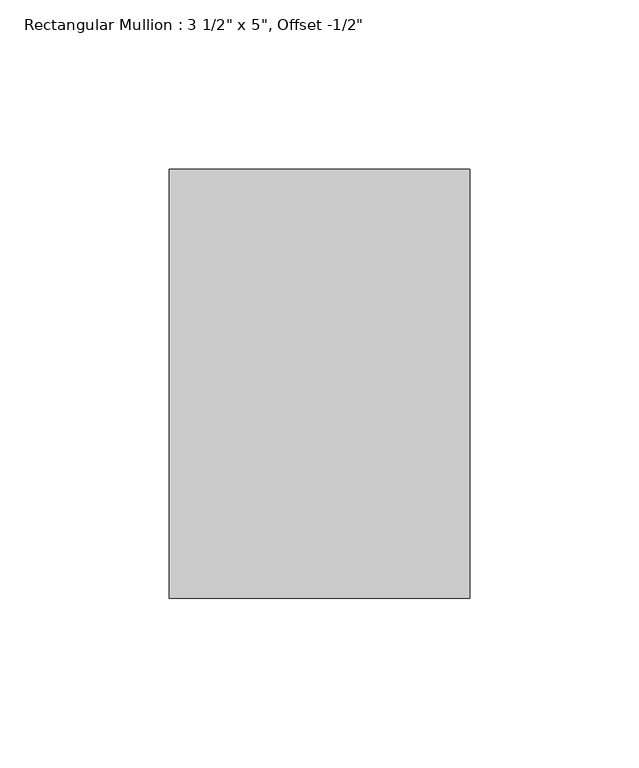
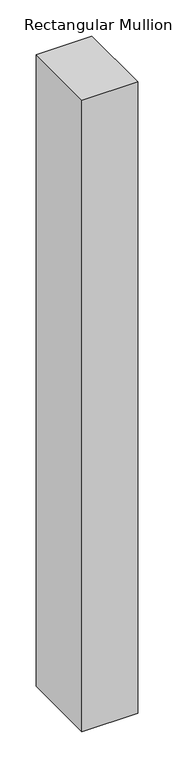
"""IFC4 building model written with IfcOpenShell, lengths in millimetres: member geometry."""

from ifc_helpers import new_model, si_unit, frame, origin, place, context, project, spatial, polyline, outline, extrude, source, transform, mapped, element, save


def member_c26f8a60(model_context):
    return source(origin(), model_context, "Body", "SweptSolid", [
        extrude(outline(polyline([(0.0, 76.2), (0.0, -50.8), (-88.9, -50.8), (-88.9, 76.2), (0.0, 76.2)])), frame((0.0, 0.0, -1068.3875), z_axis=(0.0, 0.0, 1.0), x_axis=(1.0, 0.0, 0.0)), (0.0, 0.0, 1.0), 1068.3875),
    ])


if __name__ == "__main__":
    model = new_model("IFC4")
    model_context = context("Model", 3, world=origin())
    ifc_project = project(units=[si_unit("LENGTHUNIT", "METRE", prefix="MILLI")], contexts=[model_context])
    site = spatial("IfcSite", under=ifc_project)
    building = spatial("IfcBuilding", under=site)
    placement = place(None, origin())
    member_shape = member_c26f8a60(model_context)
    element("IfcMember", 1, ObjectType="Rectangular Mullion : 3 1/2\" x 5\", Offset -1/2\"", at=placement, inside=building, context=model_context, shape_type="MappedRepresentation", body=[
        mapped(member_shape, transform((0.0, 0.0, 0.0), x_axis=(1.0, 0.0, 0.0), y_axis=(0.0, 1.0, 0.0), z_axis=(0.0, 0.0, 1.0))),
    ])
    save(model, "model.ifc")
